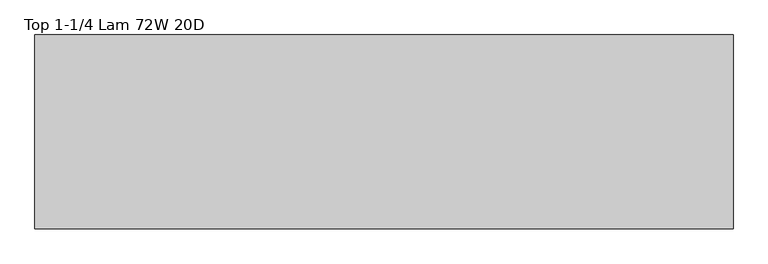
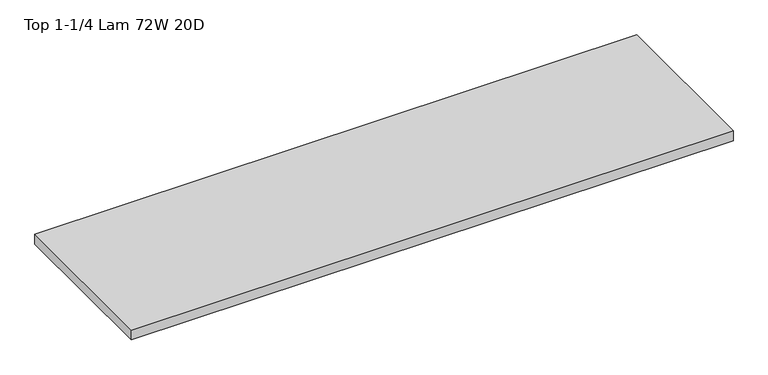
"""IFC4 building model written with IfcOpenShell, lengths in millimetres: furniture geometry, Top 1-1/4 Lam 72W 20D."""

from ifc_helpers import new_model, si_unit, frame, origin, place, context, project, spatial, polyline, outline, extrude, source, transform, mapped, element, save


def top_1_1_4_lam_72w_20d_9ead6aae(model_context):
    return source(origin(), model_context, "Body", "SweptSolid", [
        extrude(outline(polyline([(0.0, 508.0), (1828.8, 508.0), (1828.8, 0.0), (0.0, 0.0), (0.0, 508.0)])), frame((0.0, 0.0, 688.9750242), z_axis=(0.0, 0.0, 1.0), x_axis=(1.0, 0.0, 0.0)), (0.0, 0.0, 1.0), 31.75),
    ])


if __name__ == "__main__":
    model = new_model("IFC4")
    model_context = context("Model", 3, world=origin())
    ifc_project = project(units=[si_unit("LENGTHUNIT", "METRE", prefix="MILLI")], contexts=[model_context])
    site = spatial("IfcSite", under=ifc_project)
    building = spatial("IfcBuilding", under=site)
    placement = place(None, origin())
    top_1_1_4_lam_72w_20d_shape = top_1_1_4_lam_72w_20d_9ead6aae(model_context)
    element("IfcFurniture", 1, ObjectType="Top 1-1/4 Lam 72W 20D", at=placement, inside=building, context=model_context, shape_type="MappedRepresentation", body=[
        mapped(top_1_1_4_lam_72w_20d_shape, transform((0.0, 0.0, 0.0), x_axis=(1.0, 0.0, 0.0), y_axis=(0.0, 1.0, 0.0), z_axis=(0.0, 0.0, 1.0))),
    ])
    save(model, "model.ifc")
